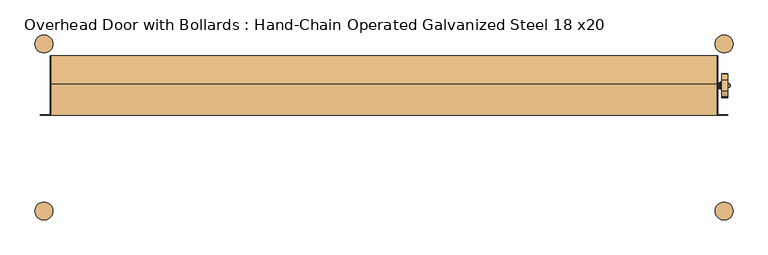
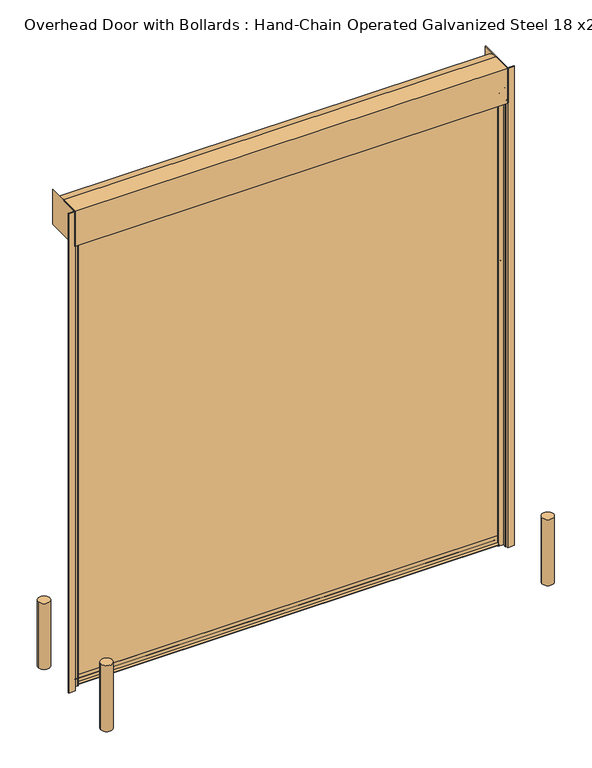
"""IFC4 building model written with IfcOpenShell, lengths in millimetres: door geometry, Overhead Door with Bollards : Hand-Chain Operated Galvanized Steel 18 x20."""

from ifc_helpers import new_model, si_unit, point, frame, frame_2d, origin, origin_with_axes, place, context, project, spatial, polyline, circle_curve, ellipse_curve, trimmed, segment, composite_curve, outline, extrude, source, transform, mapped, element, save
from ifc_brep_helpers import plane_surface, cylinder_surface, revolved_surface, advanced_brep


def overhead_door_with_bollards_hand_chain_operated_galvanized_0a1f1240(model_context):
    return source(origin(), model_context, "Body", "SolidModel", [
        extrude(outline(composite_curve([segment(trimmed(circle_curve(frame_2d((-1981.2, 711.2)), 76.2), [point((-2057.4, 711.2))], [point((-1905.0, 711.2))], False, "CARTESIAN"), True, "CONTINUOUS"), segment(trimmed(circle_curve(frame_2d((-1981.2, 711.2)), 76.2), [point((-1905.0, 711.2))], [point((-2057.4, 711.2))], False, "CARTESIAN"), True, "CONTINUOUS")], self_intersect=False)), origin_with_axes(), (0.0, 0.0, 1.0), 914.4),
        extrude(outline(composite_curve([segment(trimmed(circle_curve(frame_2d((3810.0, 711.2)), 76.2), [point((3733.8, 711.2))], [point((3886.2, 711.2))], False, "CARTESIAN"), True, "CONTINUOUS"), segment(trimmed(circle_curve(frame_2d((3810.0, 711.2)), 76.2), [point((3886.2, 711.2))], [point((3733.8, 711.2))], False, "CARTESIAN"), True, "CONTINUOUS")], self_intersect=False)), origin_with_axes(), (0.0, 0.0, 1.0), 914.4),
        extrude(outline(composite_curve([segment(trimmed(circle_curve(frame_2d((3810.0, -711.2)), 76.2), [point((3886.2, -711.2))], [point((3733.8, -711.2))], False, "CARTESIAN"), True, "CONTINUOUS"), segment(trimmed(circle_curve(frame_2d((3810.0, -711.2)), 76.2), [point((3733.8, -711.2))], [point((3886.2, -711.2))], False, "CARTESIAN"), True, "CONTINUOUS")], self_intersect=False)), origin_with_axes(), (0.0, 0.0, 1.0), 914.4),
        extrude(outline(composite_curve([segment(trimmed(circle_curve(frame_2d((-1981.2, -711.2)), 76.2), [point((-2057.4, -711.2))], [point((-1905.0, -711.2))], False, "CARTESIAN"), True, "CONTINUOUS"), segment(trimmed(circle_curve(frame_2d((-1981.2, -711.2)), 76.2), [point((-1905.0, -711.2))], [point((-2057.4, -711.2))], False, "CARTESIAN"), True, "CONTINUOUS")], self_intersect=False)), origin_with_axes(), (0.0, 0.0, 1.0), 914.4),
        extrude(outline(polyline([(-1928.8252, 609.6), (-1922.4752, 609.6), (-1922.4752, 101.6), (-1928.8252, 101.6), (-1928.8252, 609.6)])), frame((0.0, 0.0, 6172.2), z_axis=(0.0, 0.0, 1.0), x_axis=(1.0, 0.0, 0.0)), (0.0, 0.0, 1.0), 482.6),
        advanced_brep(
        [(3841.8309604, 405.1483399, 6281.6469387), (3841.8309604, 306.0516601, 6281.6469387), (3841.8309604, 259.3951464, 6160.1025652), (3841.8309604, 258.7625, 6156.6891105), (3841.8309604, 258.7625, 6103.6877303), (3841.8309604, 254.6933116, 6093.7069784), (3841.8309604, 256.4003, 6089.65), (3841.8309604, 296.0751, 6089.65), (3841.8309604, 297.7820884, 6093.7069784), (3841.8309604, 293.9479873, 6106.267727), (3841.8309604, 306.4129, 6121.4), (3841.8309604, 315.5647733, 6121.4), (3841.8309604, 395.6352267, 6121.4), (3841.8309604, 404.7871, 6121.4), (3841.8309604, 417.4871, 6108.7), (3841.8309604, 417.4871, 6103.6877303), (3841.8309604, 413.4179116, 6093.7069784), (3841.8309604, 415.1249, 6089.65), (3841.8309604, 454.7997, 6089.65), (3841.8309604, 456.5066884, 6093.7069784), (3841.8309604, 452.4375, 6103.6877303), (3841.8309604, 452.4375, 6158.4544649), (3841.8309604, 339.725, 6200.775), (3841.8309604, 371.475, 6200.775), (3791.0309604, 405.1483399, 6281.6469387), (3791.0309604, 452.4375, 6158.4544649), (3791.0309604, 452.4375, 6103.6877303), (3791.0309604, 456.5066884, 6093.7069784), (3791.0309604, 454.7997, 6089.65), (3791.0309604, 415.1249, 6089.65), (3791.0309604, 413.4179116, 6093.7069784), (3791.0309604, 417.4871, 6103.6877303), (3791.0309604, 417.4871, 6108.7), (3791.0309604, 404.7871, 6121.4), (3791.0309604, 395.6352267, 6121.4), (3791.0309604, 315.5647733, 6121.4), (3791.0309604, 306.4129, 6121.4), (3791.0309604, 293.9479873, 6106.267727), (3791.0309604, 297.7820884, 6093.7069784), (3791.0309604, 296.0751, 6089.65), (3791.0309604, 256.4003, 6089.65), (3791.0309604, 254.6933116, 6093.7069784), (3791.0309604, 258.7625, 6103.6877303), (3791.0309604, 258.7625, 6156.6891105), (3791.0309604, 259.3951464, 6160.1025652), (3791.0309604, 306.0516601, 6281.6469387), (3791.0309604, 355.6, 6220.3965), (3791.0309604, 355.6, 6182.2965), (3856.1184604, 371.475, 6200.775), (3856.1184604, 339.725, 6200.775), (3856.1184604, 355.6, 6191.8215), (3856.1184604, 355.6, 6210.8715), (3862.3875, 355.6, 6194.9965), (3859.2125, 355.6, 6191.8215), (3859.2125, 355.6, 6210.8715), (3862.3875, 355.6, 6207.6965), (3862.3875, 355.6, 6201.3465), (3757.6125, 355.6, 6175.9465), (3757.6125, 355.6, 6201.3465), (3757.6125, 355.6, 6226.7465), (3763.9625, 355.6, 6226.7465), (3763.9625, 355.6, 6175.9465), (3763.9625, 355.6, 6222.7841), (3763.9625, 355.6, 6179.9089), (3774.0971, 355.6, 6222.7841), (3774.0971, 355.6, 6179.9089), (3774.0971, 355.6, 6226.62585), (3774.0971, 355.6, 6176.06715), (3775.6846, 355.6, 6232.97585), (3775.6846, 355.6, 6169.71715), (3778.25, 355.6, 6232.97585), (3778.25, 355.6, 6169.71715), (3779.8375, 355.6, 6226.62585), (3779.8375, 355.6, 6176.06715), (3779.8375, 355.6, 6220.3965), (3779.8375, 355.6, 6182.2965)],
        [
            (0, 1, circle_curve(frame((3841.8309604, 355.6, 6200.775), z_axis=(1.0, 0.0, 0.0), x_axis=(0.0, -1.0, 0.0)), 94.8436)),
            (1, 2),
            (2, 3, circle_curve(frame((3841.8309604, 268.2875, 6156.6891105), z_axis=(1.0, 0.0, 0.0), x_axis=(0.0, -1.0, 0.0)), 9.525)),
            (3, 4),
            (4, 5, circle_curve(frame((3841.8309604, 244.4877, 6103.6877303), z_axis=(-1.0, 0.0, 0.0), x_axis=(0.0, -1.0, 0.0)), 14.2748)),
            (5, 6, circle_curve(frame((3841.8309604, 256.4003, 6092.0376), z_axis=(1.0, 0.0, 0.0), x_axis=(0.0, -1.0, 0.0)), 2.3876)),
            (6, 7),
            (7, 8, circle_curve(frame((3841.8309604, 296.0751, 6092.0376), z_axis=(1.0, 0.0, 0.0), x_axis=(0.0, -1.0, 0.0)), 2.3876)),
            (8, 9, circle_curve(frame((3841.8309604, 307.9877, 6103.6877303), z_axis=(-1.0, 0.0, 0.0), x_axis=(0.0, -1.0, 0.0)), 14.2748)),
            (9, 10, circle_curve(frame((3841.8309604, 306.4129, 6108.7), z_axis=(-1.0, 0.0, 0.0), x_axis=(0.0, -1.0, 0.0)), 12.7)),
            (10, 11),
            (11, 12, circle_curve(frame((3841.8309604, 355.6, 6200.775), z_axis=(1.0, 0.0, 0.0), x_axis=(0.0, -1.0, 0.0)), 88.9)),
            (12, 13),
            (13, 14, circle_curve(frame((3841.8309604, 404.7871, 6108.7), z_axis=(-1.0, 0.0, 0.0), x_axis=(0.0, -1.0, 0.0)), 12.7)),
            (14, 15),
            (15, 16, circle_curve(frame((3841.8309604, 403.2123, 6103.6877303), z_axis=(-1.0, 0.0, 0.0), x_axis=(0.0, -1.0, 0.0)), 14.2748)),
            (16, 17, circle_curve(frame((3841.8309604, 415.1249, 6092.0376), z_axis=(1.0, 0.0, 0.0), x_axis=(0.0, -1.0, 0.0)), 2.3876)),
            (17, 18),
            (18, 19, circle_curve(frame((3841.8309604, 454.7997, 6092.0376), z_axis=(1.0, 0.0, 0.0), x_axis=(0.0, -1.0, 0.0)), 2.3876)),
            (19, 20, circle_curve(frame((3841.8309604, 466.7123, 6103.6877303), z_axis=(-1.0, 0.0, 0.0), x_axis=(0.0, -1.0, 0.0)), 14.2748)),
            (20, 21),
            (21, 0),
            (22, 23, circle_curve(frame((3841.8309604, 355.6, 6200.775), z_axis=(-1.0, 0.0, 0.0), x_axis=(0.0, -1.0, 0.0)), 15.875)),
            (23, 22, circle_curve(frame((3841.8309604, 355.6, 6200.775), z_axis=(-1.0, 0.0, 0.0), x_axis=(0.0, -1.0, 0.0)), 15.875)),
            (24, 25),
            (25, 26),
            (26, 27, circle_curve(frame((3791.0309604, 466.7123, 6103.6877303), z_axis=(1.0, 0.0, 0.0), x_axis=(0.0, -1.0, 0.0)), 14.2748)),
            (27, 28, circle_curve(frame((3791.0309604, 454.7997, 6092.0376), z_axis=(-1.0, 0.0, 0.0), x_axis=(0.0, -1.0, 0.0)), 2.3876)),
            (28, 29),
            (29, 30, circle_curve(frame((3791.0309604, 415.1249, 6092.0376), z_axis=(-1.0, 0.0, 0.0), x_axis=(0.0, -1.0, 0.0)), 2.3876)),
            (30, 31, circle_curve(frame((3791.0309604, 403.2123, 6103.6877303), z_axis=(1.0, 0.0, 0.0), x_axis=(0.0, -1.0, 0.0)), 14.2748)),
            (31, 32),
            (32, 33, circle_curve(frame((3791.0309604, 404.7871, 6108.7), z_axis=(1.0, 0.0, 0.0), x_axis=(0.0, -1.0, 0.0)), 12.7)),
            (33, 34),
            (34, 35, circle_curve(frame((3791.0309604, 355.6, 6200.775), z_axis=(-1.0, 0.0, 0.0), x_axis=(0.0, -1.0, 0.0)), 88.9)),
            (35, 36),
            (36, 37, circle_curve(frame((3791.0309604, 306.4129, 6108.7), z_axis=(1.0, 0.0, 0.0), x_axis=(0.0, -1.0, 0.0)), 12.7)),
            (37, 38, circle_curve(frame((3791.0309604, 307.9877, 6103.6877303), z_axis=(1.0, 0.0, 0.0), x_axis=(0.0, -1.0, 0.0)), 14.2748)),
            (38, 39, circle_curve(frame((3791.0309604, 296.0751, 6092.0376), z_axis=(-1.0, 0.0, 0.0), x_axis=(0.0, -1.0, 0.0)), 2.3876)),
            (39, 40),
            (40, 41, circle_curve(frame((3791.0309604, 256.4003, 6092.0376), z_axis=(-1.0, 0.0, 0.0), x_axis=(0.0, -1.0, 0.0)), 2.3876)),
            (41, 42, circle_curve(frame((3791.0309604, 244.4877, 6103.6877303), z_axis=(1.0, 0.0, 0.0), x_axis=(0.0, -1.0, 0.0)), 14.2748)),
            (42, 43),
            (43, 44, circle_curve(frame((3791.0309604, 268.2875, 6156.6891105), z_axis=(-1.0, 0.0, 0.0), x_axis=(0.0, -1.0, 0.0)), 9.525)),
            (44, 45),
            (45, 24, circle_curve(frame((3791.0309604, 355.6, 6200.775), z_axis=(-1.0, 0.0, 0.0), x_axis=(0.0, -1.0, 0.0)), 94.8436)),
            (46, 47, circle_curve(frame((3791.0309604, 355.6, 6201.3465), z_axis=(1.0, 0.0, 0.0), x_axis=(0.0, 0.0, 1.0)), 19.05)),
            (47, 46, circle_curve(frame((3791.0309604, 355.6, 6201.3465), z_axis=(1.0, 0.0, 0.0), x_axis=(0.0, 0.0, 1.0)), 19.05)),
            (21, 25),
            (24, 0),
            (20, 26),
            (19, 27),
            (18, 28),
            (17, 29),
            (16, 30),
            (15, 31),
            (14, 32),
            (13, 33),
            (12, 34),
            (11, 35),
            (10, 36),
            (9, 37),
            (8, 38),
            (7, 39),
            (6, 40),
            (5, 41),
            (4, 42),
            (3, 43),
            (2, 44),
            (1, 45),
            (48, 49, circle_curve(frame((3856.1184604, 355.6, 6200.775), z_axis=(1.0, 0.0, 0.0), x_axis=(0.0, -1.0, 0.0)), 15.875)),
            (49, 48, circle_curve(frame((3856.1184604, 355.6, 6200.775), z_axis=(1.0, 0.0, 0.0), x_axis=(0.0, -1.0, 0.0)), 15.875)),
            (50, 51, circle_curve(frame((3856.1184604, 355.6, 6201.3465), z_axis=(-1.0, 0.0, 0.0), x_axis=(0.0, 0.0, 1.0)), 9.525)),
            (51, 50, circle_curve(frame((3856.1184604, 355.6, 6201.3465), z_axis=(-1.0, 0.0, 0.0), x_axis=(0.0, 0.0, 1.0)), 9.525)),
            (49, 22),
            (23, 48),
            (52, 53),
            (53, 54, circle_curve(frame((3859.2125, 355.6, 6201.3465), z_axis=(1.0, 0.0, 0.0), x_axis=(0.0, 0.0, 1.0)), 9.525)),
            (54, 55),
            (55, 52, circle_curve(frame((3862.3875, 355.6, 6201.3465), z_axis=(-1.0, 0.0, 0.0), x_axis=(0.0, 0.0, 1.0)), 6.35)),
            (54, 53, circle_curve(frame((3859.2125, 355.6, 6201.3465), z_axis=(1.0, 0.0, 0.0), x_axis=(0.0, 0.0, 1.0)), 9.525)),
            (52, 55, circle_curve(frame((3862.3875, 355.6, 6201.3465), z_axis=(-1.0, 0.0, 0.0), x_axis=(0.0, 0.0, 1.0)), 6.35)),
            (55, 56),
            (56, 52),
            (53, 50),
            (51, 54),
            (57, 58),
            (58, 59),
            (59, 57, circle_curve(frame((3757.6125, 355.6, 6201.3465), z_axis=(-1.0, 0.0, 0.0), x_axis=(0.0, 0.0, 1.0)), 25.4)),
            (57, 59, circle_curve(frame((3757.6125, 355.6, 6201.3465), z_axis=(-1.0, 0.0, 0.0), x_axis=(0.0, 0.0, 1.0)), 25.4)),
            (59, 60),
            (60, 61, circle_curve(frame((3763.9625, 355.6, 6201.3465), z_axis=(-1.0, 0.0, 0.0), x_axis=(0.0, 0.0, 1.0)), 25.4)),
            (61, 57),
            (61, 60, circle_curve(frame((3763.9625, 355.6, 6201.3465), z_axis=(-1.0, 0.0, 0.0), x_axis=(0.0, 0.0, 1.0)), 25.4)),
            (60, 62),
            (62, 63, circle_curve(frame((3763.9625, 355.6, 6201.3465), z_axis=(-1.0, 0.0, 0.0), x_axis=(0.0, 0.0, 1.0)), 21.4376)),
            (63, 61),
            (63, 62, circle_curve(frame((3763.9625, 355.6, 6201.3465), z_axis=(-1.0, 0.0, 0.0), x_axis=(0.0, 0.0, 1.0)), 21.4376)),
            (62, 64),
            (64, 65, circle_curve(frame((3774.0971, 355.6, 6201.3465), z_axis=(-1.0, 0.0, 0.0), x_axis=(0.0, 0.0, 1.0)), 21.4376)),
            (65, 63),
            (65, 64, circle_curve(frame((3774.0971, 355.6, 6201.3465), z_axis=(-1.0, 0.0, 0.0), x_axis=(0.0, 0.0, 1.0)), 21.4376)),
            (64, 66),
            (66, 67, circle_curve(frame((3774.0971, 355.6, 6201.3465), z_axis=(-1.0, 0.0, 0.0), x_axis=(0.0, 0.0, 1.0)), 25.27935)),
            (67, 65),
            (67, 66, circle_curve(frame((3774.0971, 355.6, 6201.3465), z_axis=(-1.0, 0.0, 0.0), x_axis=(0.0, 0.0, 1.0)), 25.27935)),
            (66, 68),
            (68, 69, circle_curve(frame((3775.6846, 355.6, 6201.3465), z_axis=(-1.0, 0.0, 0.0), x_axis=(0.0, 0.0, 1.0)), 31.62935)),
            (69, 67),
            (69, 68, circle_curve(frame((3775.6846, 355.6, 6201.3465), z_axis=(-1.0, 0.0, 0.0), x_axis=(0.0, 0.0, 1.0)), 31.62935)),
            (68, 70),
            (70, 71, circle_curve(frame((3778.25, 355.6, 6201.3465), z_axis=(-1.0, 0.0, 0.0), x_axis=(0.0, 0.0, 1.0)), 31.62935)),
            (71, 69),
            (71, 70, circle_curve(frame((3778.25, 355.6, 6201.3465), z_axis=(-1.0, 0.0, 0.0), x_axis=(0.0, 0.0, 1.0)), 31.62935)),
            (70, 72),
            (72, 73, circle_curve(frame((3779.8375, 355.6, 6201.3465), z_axis=(-1.0, 0.0, 0.0), x_axis=(0.0, 0.0, 1.0)), 25.27935)),
            (73, 71),
            (73, 72, circle_curve(frame((3779.8375, 355.6, 6201.3465), z_axis=(-1.0, 0.0, 0.0), x_axis=(0.0, 0.0, 1.0)), 25.27935)),
            (72, 74),
            (74, 75, circle_curve(frame((3779.8375, 355.6, 6201.3465), z_axis=(-1.0, 0.0, 0.0), x_axis=(0.0, 0.0, 1.0)), 19.05)),
            (75, 73),
            (75, 74, circle_curve(frame((3779.8375, 355.6, 6201.3465), z_axis=(-1.0, 0.0, 0.0), x_axis=(0.0, 0.0, 1.0)), 19.05)),
            (74, 46),
            (47, 75),
        ],
        [
            plane_surface(frame((3841.8309604, 405.3174554, 6281.2063779), z_axis=(1.0, 0.0, 0.0), x_axis=(0.0, 0.3583679495453003, -0.9335804264972017))),
            plane_surface(frame((3791.0309604, 405.3174554, 6281.2063779), z_axis=(-1.0, 0.0, 0.0), x_axis=(0.0, -0.3583679495453003, 0.9335804264972017))),
            plane_surface(frame((3841.8309604, 405.1483399, 6281.6469387), z_axis=(0.0, 0.9335804264972017, 0.3583679495453003), x_axis=(-1.0, 0.0, 0.0))),
            plane_surface(frame((3841.8309604, 452.4375, 6158.4544649), z_axis=(0.0, 1.0, 0.0), x_axis=(-1.0, 0.0, 0.0))),
            revolved_surface(polyline([(3791.0309604, 452.4375, 6103.6877303), (3841.8309604, 452.4375, 6103.6877303)]), (3791.0309604, 466.7123, 6103.6877303), (-1.0, 0.0, 0.0)),
            cylinder_surface(frame((3791.0309604, 454.7997, 6092.0376), z_axis=(1.0, 0.0, 0.0), x_axis=(0.0, -1.0, 0.0)), 2.3876),
            plane_surface(frame((3841.8309604, 454.7997, 6089.65), z_axis=(0.0, 0.0, -1.0), x_axis=(-1.0, 0.0, 0.0))),
            cylinder_surface(frame((3791.0309604, 415.1249, 6092.0376), z_axis=(1.0, 0.0, 0.0), x_axis=(0.0, -1.0, 0.0)), 2.3876),
            revolved_surface(polyline([(3791.0309604, 388.9375, 6103.6877303), (3841.8309604, 388.9375, 6103.6877303)]), (3791.0309604, 403.2123, 6103.6877303), (-1.0, 0.0, 0.0)),
            plane_surface(frame((3841.8309604, 417.4871, 6103.6877303), z_axis=(0.0, -1.0, 0.0), x_axis=(-1.0, 0.0, 0.0))),
            revolved_surface(polyline([(3791.0309604, 392.0871, 6108.7), (3841.8309604, 392.0871, 6108.7)]), (3791.0309604, 404.7871, 6108.7), (-1.0, 0.0, 0.0)),
            plane_surface(frame((3841.8309604, 404.7871, 6121.4), z_axis=(0.0, 0.0, -1.0), x_axis=(-1.0, 0.0, 0.0))),
            cylinder_surface(frame((3791.0309604, 355.6, 6200.775), z_axis=(1.0, 0.0, 0.0), x_axis=(0.0, -1.0, 0.0)), 88.9),
            plane_surface(frame((3841.8309604, 315.5647733, 6121.4), z_axis=(0.0, 0.0, -1.0), x_axis=(-1.0, 0.0, 0.0))),
            revolved_surface(polyline([(3791.0309604, 293.7129, 6108.7), (3841.8309604, 293.7129, 6108.7)]), (3791.0309604, 306.4129, 6108.7), (-1.0, 0.0, 0.0)),
            revolved_surface(polyline([(3791.0309604, 293.7129, 6103.6877303), (3841.8309604, 293.7129, 6103.6877303)]), (3791.0309604, 307.9877, 6103.6877303), (-1.0, 0.0, 0.0)),
            cylinder_surface(frame((3791.0309604, 296.0751, 6092.0376), z_axis=(1.0, 0.0, 0.0), x_axis=(0.0, -1.0, 0.0)), 2.3876),
            plane_surface(frame((3841.8309604, 296.0751, 6089.65), z_axis=(0.0, 0.0, -1.0), x_axis=(-1.0, 0.0, 0.0))),
            cylinder_surface(frame((3791.0309604, 256.4003, 6092.0376), z_axis=(1.0, 0.0, 0.0), x_axis=(0.0, -1.0, 0.0)), 2.3876),
            revolved_surface(polyline([(3791.0309604, 230.2129, 6103.6877303), (3841.8309604, 230.2129, 6103.6877303)]), (3791.0309604, 244.4877, 6103.6877303), (-1.0, 0.0, 0.0)),
            plane_surface(frame((3841.8309604, 258.7625, 6103.6877303), z_axis=(0.0, -1.0, 0.0), x_axis=(-1.0, 0.0, 0.0))),
            cylinder_surface(frame((3791.0309604, 268.2875, 6156.6891105), z_axis=(1.0, 0.0, 0.0), x_axis=(0.0, -1.0, 0.0)), 9.525),
            plane_surface(frame((3841.8309604, 259.3951464, 6160.1025652), z_axis=(0.0, -0.9335804264972019, 0.35836794954530005), x_axis=(-1.0, 0.0, 0.0))),
            cylinder_surface(frame((3791.0309604, 355.6, 6200.775), z_axis=(1.0, 0.0, 0.0), x_axis=(0.0, -1.0, 0.0)), 94.8436),
            plane_surface(frame((3856.1184604, 339.725, 6200.775), z_axis=(1.0, 0.0, 0.0), x_axis=(0.0, 0.0, 1.0))),
            cylinder_surface(frame((3825.9305604, 355.6, 6200.775), z_axis=(1.0, 0.0, 0.0), x_axis=(0.0, -1.0, 0.0)), 15.875),
            revolved_surface(polyline([(3859.2125, 355.6, 6210.8715), (3862.3875, 355.6, 6207.6965)]), (3791.0309604, 355.6, 6201.3465), (1.0, 0.0, 0.0)),
            plane_surface(frame((3862.3875, 355.6, 6201.3465), z_axis=(1.0, 0.0, 0.0), x_axis=(0.0, 0.0, 1.0))),
            cylinder_surface(frame((3791.0309604, 355.6, 6201.3465), z_axis=(1.0, 0.0, 0.0), x_axis=(0.0, 0.0, 1.0)), 9.525),
            plane_surface(frame((3757.6125, 355.6, 6201.3465), z_axis=(-1.0, 0.0, 0.0), x_axis=(0.0, 0.0, 1.0))),
            cylinder_surface(frame((3791.0309604, 355.6, 6201.3465), z_axis=(1.0, 0.0, 0.0), x_axis=(0.0, 0.0, 1.0)), 25.4),
            plane_surface(frame((3763.9625, 355.6, 6201.3465), z_axis=(1.0, 0.0, 0.0), x_axis=(0.0, 0.0, 1.0))),
            cylinder_surface(frame((3791.0309604, 355.6, 6201.3465), z_axis=(1.0, 0.0, 0.0), x_axis=(0.0, 0.0, 1.0)), 21.4376),
            plane_surface(frame((3774.0971, 355.6, 6201.3465), z_axis=(-1.0, 0.0, 0.0), x_axis=(0.0, 0.0, 1.0))),
            revolved_surface(polyline([(3774.0971, 355.6, 6226.62585), (3775.6846, 355.6, 6232.97585)]), (3791.0309604, 355.6, 6201.3465), (1.0, 0.0, 0.0)),
            cylinder_surface(frame((3791.0309604, 355.6, 6201.3465), z_axis=(1.0, 0.0, 0.0), x_axis=(0.0, 0.0, 1.0)), 31.62935),
            revolved_surface(polyline([(3778.25, 355.6, 6232.97585), (3779.8375, 355.6, 6226.62585)]), (3791.0309604, 355.6, 6201.3465), (1.0, 0.0, 0.0)),
            plane_surface(frame((3779.8375, 355.6, 6201.3465), z_axis=(1.0, 0.0, 0.0), x_axis=(0.0, 0.0, 1.0))),
            cylinder_surface(frame((3791.0309604, 355.6, 6201.3465), z_axis=(1.0, 0.0, 0.0), x_axis=(0.0, 0.0, 1.0)), 19.05),
        ],
        [
            (0, [[1, 2, 3, 4, 5, 6, 7, 8, 9, 10, 11, 12, 13, 14, 15, 16, 17, 18, 19, 20, 21, 22], [23, 24]]),
            (1, [[25, 26, 27, 28, 29, 30, 31, 32, 33, 34, 35, 36, 37, 38, 39, 40, 41, 42, 43, 44, 45, 46], [47, 48]]),
            (2, [[49, -25, 50, -22]]),
            (3, [[51, -26, -49, -21]]),
            (4, [[52, -27, -51, -20]]),
            (5, [[53, -28, -52, -19]]),
            (6, [[54, -29, -53, -18]]),
            (7, [[55, -30, -54, -17]]),
            (8, [[56, -31, -55, -16]]),
            (9, [[57, -32, -56, -15]]),
            (10, [[58, -33, -57, -14]]),
            (11, [[59, -34, -58, -13]]),
            (12, [[60, -35, -59, -12]]),
            (13, [[61, -36, -60, -11]]),
            (14, [[62, -37, -61, -10]]),
            (15, [[63, -38, -62, -9]]),
            (16, [[64, -39, -63, -8]]),
            (17, [[65, -40, -64, -7]]),
            (18, [[66, -41, -65, -6]]),
            (19, [[67, -42, -66, -5]]),
            (20, [[68, -43, -67, -4]]),
            (21, [[69, -44, -68, -3]]),
            (22, [[70, -45, -69, -2]]),
            (23, [[-50, -46, -70, -1]]),
            (24, [[71, 72], [73, 74]]),
            (25, [[75, -24, 76, -72]]),
            (25, [[-76, -23, -75, -71]]),
            (26, [[77, 78, 79, 80]]),
            (26, [[81, -77, 82, -79]]),
            (27, [[83, 84, -80]]),
            (27, [[-84, -83, -82]]),
            (28, [[85, -74, 86, -78]]),
            (28, [[-86, -73, -85, -81]]),
            (29, [[87, 88, 89]]),
            (29, [[-87, 90, -88]]),
            (30, [[91, 92, 93, -89]]),
            (30, [[-93, 94, -91, -90]]),
            (31, [[95, 96, 97, -92]]),
            (31, [[-97, 98, -95, -94]]),
            (32, [[99, 100, 101, -96]]),
            (32, [[-101, 102, -99, -98]]),
            (33, [[103, 104, 105, -100]]),
            (33, [[-105, 106, -103, -102]]),
            (34, [[107, 108, 109, -104]]),
            (34, [[-109, 110, -107, -106]]),
            (35, [[111, 112, 113, -108]]),
            (35, [[-113, 114, -111, -110]]),
            (36, [[115, 116, 117, -112]]),
            (36, [[-117, 118, -115, -114]]),
            (37, [[119, 120, 121, -116]]),
            (37, [[-121, 122, -119, -118]]),
            (38, [[123, -48, 124, -120]]),
            (38, [[-124, -47, -123, -122]]),
        ],
    ),
        advanced_brep(
        [(3820.1659087, 277.8125, 6172.2), (3812.5340913, 277.8125, 6172.2), (3812.5340913, 277.8125, 3873.5), (3820.1659087, 277.8125, 3873.5), (3812.5340913, 436.5625, 3873.5), (3820.1659087, 436.5625, 3873.5), (3820.1659087, 436.5625, 6172.2), (3812.5340913, 436.5625, 6172.2)],
        [
            (0, 1, circle_curve(frame((3816.35, 277.8125, 6172.2), z_axis=(0.0, 0.0, 1.0), x_axis=(-1.0, 0.0, 0.0)), 3.8159087)),
            (1, 0, circle_curve(frame((3816.35, 277.8125, 6172.2), z_axis=(0.0, 0.0, 1.0), x_axis=(-1.0, 0.0, 0.0)), 3.8159087)),
            (1, 2),
            (2, 3, circle_curve(frame((3816.35, 277.8125, 3873.5), z_axis=(0.0, 0.0, 1.0), x_axis=(-1.0, 0.0, 0.0)), 3.8159087)),
            (3, 0),
            (3, 2, circle_curve(frame((3816.35, 277.8125, 3873.5), z_axis=(0.0, 0.0, 1.0), x_axis=(-1.0, 0.0, 0.0)), 3.8159087)),
            (4, 5, circle_curve(frame((3816.35, 436.5625, 3873.5), z_axis=(0.0, 0.0, -1.0), x_axis=(-1.0, 0.0, 0.0)), 3.8159087)),
            (5, 3, circle_curve(frame((3820.1659087, 357.1875, 3873.5), z_axis=(-1.0, 0.0, 0.0), x_axis=(0.0, -1.0, 0.0)), 79.375)),
            (2, 4, circle_curve(frame((3812.5340913, 357.1875, 3873.5), z_axis=(1.0, 0.0, 0.0), x_axis=(0.0, -1.0, 0.0)), 79.375)),
            (5, 4, circle_curve(frame((3816.35, 436.5625, 3873.5), z_axis=(0.0, 0.0, -1.0), x_axis=(-1.0, 0.0, 0.0)), 3.8159087)),
            (6, 7, circle_curve(frame((3816.35, 436.5625, 6172.2), z_axis=(0.0, 0.0, 1.0), x_axis=(-1.0, 0.0, 0.0)), 3.8159087)),
            (7, 6, circle_curve(frame((3816.35, 436.5625, 6172.2), z_axis=(0.0, 0.0, 1.0), x_axis=(-1.0, 0.0, 0.0)), 3.8159087)),
            (4, 7),
            (6, 5),
        ],
        [
            plane_surface(frame((3816.35, 277.8125, 6172.2), z_axis=(0.0, 0.0, 1.0), x_axis=(-1.0, 0.0, 0.0))),
            cylinder_surface(frame((3816.35, 277.8125, 6172.2), z_axis=(0.0, 0.0, 1.0), x_axis=(-1.0, 0.0, 0.0)), 3.8159087),
            revolved_surface(trimmed(ellipse_curve(frame((3816.35, 277.8125, 3873.5), z_axis=(0.0, 0.0, -1.0), x_axis=(-1.0, 0.0, 0.0)), 3.8159087, 3.8159087), [point((3820.1659087, 277.8125, 3873.5))], [point((3812.5340913, 277.8125, 3873.5))], True, "CARTESIAN"), (3816.35, 357.1875, 3873.5), (-1.0, 0.0, 0.0)),
            revolved_surface(trimmed(ellipse_curve(frame((3816.35, 277.8125, 3873.5), z_axis=(0.0, 0.0, -1.0), x_axis=(-1.0, 0.0, 0.0)), 3.8159087, 3.8159087), [point((3812.5340913, 277.8125, 3873.5))], [point((3820.1659087, 277.8125, 3873.5))], True, "CARTESIAN"), (3816.35, 357.1875, 3873.5), (-1.0, 0.0, 0.0)),
            plane_surface(frame((3816.35, 436.5625, 6172.2), z_axis=(0.0, 0.0, 1.0), x_axis=(-1.0, 0.0, 0.0))),
            cylinder_surface(frame((3816.35, 436.5625, 3873.5), z_axis=(0.0, 0.0, -1.0), x_axis=(-1.0, 0.0, 0.0)), 3.8159087),
        ],
        [
            (0, [[1, 2]]),
            (1, [[3, 4, 5, -2]]),
            (1, [[-5, 6, -3, -1]]),
            (2, [[7, 8, -4, 9]]),
            (3, [[10, -9, -6, -8]]),
            (4, [[11, 12]]),
            (5, [[13, -11, 14, -7]]),
            (5, [[-14, -12, -13, -10]]),
        ],
    ),
        extrude(outline(polyline([(3757.6125, 101.6), (3751.2625, 101.6), (3751.2625, 609.6), (3757.6125, 609.6), (3757.6125, 101.6)])), frame((0.0, 0.0, 6172.2), z_axis=(0.0, 0.0, 1.0), x_axis=(1.0, 0.0, 0.0)), (0.0, 0.0, 1.0), 482.6),
        advanced_brep(
        [(3757.6252, 187.325, 6172.2), (3754.4502, 190.5, 6172.2), (3751.2752, 190.5, 6172.2), (3751.2752, 101.6, 6172.2), (3757.6252, 101.6, 6172.2), (3757.6252, 111.125, 6172.2), (3751.2752, 101.6, 0.0), (3751.2752, 190.5, 0.0), (3754.4502, 190.5, 0.0), (3757.6252, 187.325, 0.0), (3757.6252, 111.125, 0.0), (3760.8002, 107.95, 0.0), (3837.0002, 107.95, 0.0), (3840.1752, 104.775, 0.0), (3840.1752, 101.6, 0.0), (3840.1752, 101.6, 6654.8), (3757.6252, 101.6, 6654.8), (3760.8002, 107.95, 6654.8), (3757.6252, 111.125, 6654.8), (3840.1752, 104.775, 6654.8), (3837.0002, 107.95, 6654.8)],
        [
            (0, 1, circle_curve(frame((3754.4502, 187.325, 6172.2), z_axis=(0.0, 0.0, 1.0), x_axis=(-1.0, 0.0, 0.0)), 3.175)),
            (1, 2),
            (2, 3),
            (3, 4),
            (4, 5),
            (5, 0),
            (6, 7),
            (7, 8),
            (8, 9, circle_curve(frame((3754.4502, 187.325, 0.0), z_axis=(0.0, 0.0, -1.0), x_axis=(-1.0, 0.0, 0.0)), 3.175)),
            (9, 10),
            (10, 11, circle_curve(frame((3760.8002, 111.125, 0.0), z_axis=(0.0, 0.0, 1.0), x_axis=(-1.0, 0.0, 0.0)), 3.175)),
            (11, 12),
            (12, 13, circle_curve(frame((3837.0002, 104.775, 0.0), z_axis=(0.0, 0.0, -1.0), x_axis=(-1.0, 0.0, 0.0)), 3.175)),
            (13, 14),
            (14, 6),
            (9, 0),
            (5, 10),
            (8, 1),
            (7, 2),
            (6, 3),
            (14, 15),
            (15, 16),
            (16, 4),
            (17, 18, circle_curve(frame((3760.8002, 111.125, 6654.8), z_axis=(0.0, 0.0, -1.0), x_axis=(-1.0, 0.0, 0.0)), 3.175)),
            (18, 16),
            (15, 19),
            (19, 20, circle_curve(frame((3837.0002, 104.775, 6654.8), z_axis=(0.0, 0.0, 1.0), x_axis=(-1.0, 0.0, 0.0)), 3.175)),
            (20, 17),
            (17, 11),
            (5, 18),
            (13, 19),
            (12, 20),
        ],
        [
            plane_surface(frame((3751.2752, 187.325, 6172.2), z_axis=(0.0, 0.0, 1.0), x_axis=(0.0, -1.0, 0.0))),
            plane_surface(frame((3751.2752, 187.325, 0.0), z_axis=(0.0, 0.0, -1.0), x_axis=(0.0, 1.0, 0.0))),
            plane_surface(frame((3757.6252, 101.6, 6172.2), z_axis=(1.0, 0.0, 0.0), x_axis=(0.0, 0.0, -1.0))),
            cylinder_surface(frame((3754.4502, 187.325, 0.0), z_axis=(0.0, 0.0, 1.0), x_axis=(-1.0, 0.0, 0.0)), 3.175),
            plane_surface(frame((3754.4502, 190.5, 6172.2), z_axis=(0.0, 1.0, 0.0), x_axis=(0.0, 0.0, -1.0))),
            plane_surface(frame((3751.2752, 190.5, 6172.2), z_axis=(-1.0, 0.0, 0.0), x_axis=(0.0, 0.0, -1.0))),
            plane_surface(frame((3751.2752, 101.6, 6172.2), z_axis=(0.0, -1.0, 0.0), x_axis=(0.0, 0.0, -1.0))),
            plane_surface(frame((3757.6252, 111.125, 6654.8), z_axis=(0.0, 0.0, 1.0), x_axis=(0.0, 1.0, 0.0))),
            revolved_surface(polyline([(3757.6252, 111.125, 0.0), (3757.6252, 111.125, 6654.8)]), (3760.8002, 111.125, 0.0), (0.0, 0.0, -1.0)),
            plane_surface(frame((3757.6252, 111.125, 6654.8), z_axis=(-1.0, 0.0, 0.0), x_axis=(0.0, 0.0, -1.0))),
            plane_surface(frame((3840.1752, 101.6, 6654.8), z_axis=(1.0, 0.0, 0.0), x_axis=(0.0, 0.0, -1.0))),
            cylinder_surface(frame((3837.0002, 104.775, 0.0), z_axis=(0.0, 0.0, 1.0), x_axis=(-1.0, 0.0, 0.0)), 3.175),
            plane_surface(frame((3837.0002, 107.95, 6654.8), z_axis=(0.0, 1.0, 0.0), x_axis=(0.0, 0.0, -1.0))),
        ],
        [
            (0, [[1, 2, 3, 4, 5, 6]]),
            (1, [[7, 8, 9, 10, 11, 12, 13, 14, 15]]),
            (2, [[16, -6, 17, -10]]),
            (3, [[-1, -16, -9, 18]]),
            (4, [[-2, -18, -8, 19]]),
            (5, [[-3, -19, -7, 20]]),
            (6, [[-4, -20, -15, 21, 22, 23]]),
            (7, [[24, 25, -22, 26, 27, 28]]),
            (8, [[-24, 29, -11, -17, 30]]),
            (9, [[-25, -30, -5, -23]]),
            (10, [[-26, -21, -14, 31]]),
            (11, [[-27, -31, -13, 32]]),
            (12, [[-28, -32, -12, -29]]),
        ],
    ),
        extrude(outline(composite_curve([segment(polyline([(3744.1314515, 217.4874998), (3677.4564515, 217.4874998)]), True, "CONTINUOUS"), segment(trimmed(circle_curve(frame_2d((3677.4564515, 219.8687498)), 2.38125), [point((3677.4564515, 217.4874998))], [point((3675.0752015, 219.8687498))], False, "CARTESIAN"), True, "CONTINUOUS"), segment(polyline([(3675.0752015, 219.8687498), (3675.0752015, 222.2499998), (3751.2752015, 222.2499998), (3751.2752015, 146.0499998), (3748.8939515, 146.0499998)]), True, "CONTINUOUS"), segment(trimmed(circle_curve(frame_2d((3748.8939515, 148.4312498)), 2.38125), [point((3748.8939515, 146.0499998))], [point((3746.5127015, 148.4312498))], False, "CARTESIAN"), True, "CONTINUOUS"), segment(polyline([(3746.5127015, 148.4312498), (3746.5127015, 215.1062498)]), True, "CONTINUOUS"), segment(trimmed(circle_curve(frame_2d((3744.1314515, 215.1062498)), 2.38125), [point((3746.5127015, 215.1062498))], [point((3744.1314515, 217.4874998))], True, "CARTESIAN"), True, "CONTINUOUS")], self_intersect=False)), origin_with_axes(), (0.0, 0.0, 1.0), 6172.2),
        extrude(outline(composite_curve([segment(polyline([(3670.3127015, 182.5624998), (3746.5127015, 182.5624998), (3746.5127015, 131.7624998), (3744.1314515, 131.7624998)]), True, "CONTINUOUS"), segment(trimmed(circle_curve(frame_2d((3744.1314515, 134.1437498)), 2.38125), [point((3744.1314515, 131.7624998))], [point((3741.7502015, 134.1437498))], False, "CARTESIAN"), True, "CONTINUOUS"), segment(polyline([(3741.7502015, 134.1437498), (3741.7502015, 175.4187498)]), True, "CONTINUOUS"), segment(trimmed(circle_curve(frame_2d((3739.3689515, 175.4187498)), 2.38125), [point((3741.7502015, 175.4187498))], [point((3739.3689515, 177.7999998))], True, "CARTESIAN"), True, "CONTINUOUS"), segment(polyline([(3739.3689515, 177.7999998), (3672.6939515, 177.7999998)]), True, "CONTINUOUS"), segment(trimmed(circle_curve(frame_2d((3672.6939515, 180.1812498)), 2.38125), [point((3672.6939515, 177.7999998))], [point((3670.3127015, 180.1812498))], False, "CARTESIAN"), True, "CONTINUOUS"), segment(polyline([(3670.3127015, 180.1812498), (3670.3127015, 182.5624998)]), True, "CONTINUOUS")], self_intersect=False)), origin_with_axes(), (0.0, 0.0, 1.0), 6172.2),
        advanced_brep(
        [(-1928.8252, 187.325, 6172.2), (-1928.8252, 111.125, 6172.2), (-1928.8252, 101.6, 6172.2), (-1922.4752, 101.6, 6172.2), (-1922.4752, 190.5, 6172.2), (-1925.6502, 190.5, 6172.2), (-1922.4752, 101.6, 0.0), (-2011.3752, 101.6, 0.0), (-2011.3752, 104.775, 0.0), (-2008.2002, 107.95, 0.0), (-1932.0002, 107.95, 0.0), (-1928.8252, 111.125, 0.0), (-1928.8252, 187.325, 0.0), (-1925.6502, 190.5, 0.0), (-1922.4752, 190.5, 0.0), (-1928.8252, 101.6, 6654.8), (-2011.3752, 101.6, 6654.8), (-1932.0002, 107.95, 6654.8), (-2008.2002, 107.95, 6654.8), (-2011.3752, 104.775, 6654.8), (-1928.8252, 111.125, 6654.8)],
        [
            (0, 1),
            (1, 2),
            (2, 3),
            (3, 4),
            (4, 5),
            (5, 0, circle_curve(frame((-1925.6502, 187.325, 6172.2), z_axis=(0.0, 0.0, 1.0), x_axis=(1.0, 0.0, 0.0)), 3.175)),
            (6, 7),
            (7, 8),
            (8, 9, circle_curve(frame((-2008.2002, 104.775, 0.0), z_axis=(0.0, 0.0, -1.0), x_axis=(1.0, 0.0, 0.0)), 3.175)),
            (9, 10),
            (10, 11, circle_curve(frame((-1932.0002, 111.125, 0.0), z_axis=(0.0, 0.0, 1.0), x_axis=(1.0, 0.0, 0.0)), 3.175)),
            (11, 12),
            (12, 13, circle_curve(frame((-1925.6502, 187.325, 0.0), z_axis=(0.0, 0.0, -1.0), x_axis=(1.0, 0.0, 0.0)), 3.175)),
            (13, 14),
            (14, 6),
            (5, 13),
            (12, 0),
            (4, 14),
            (3, 6),
            (2, 15),
            (15, 16),
            (16, 7),
            (11, 1),
            (17, 18),
            (18, 19, circle_curve(frame((-2008.2002, 104.775, 6654.8), z_axis=(0.0, 0.0, 1.0), x_axis=(1.0, 0.0, 0.0)), 3.175)),
            (19, 16),
            (15, 20),
            (20, 17, circle_curve(frame((-1932.0002, 111.125, 6654.8), z_axis=(0.0, 0.0, -1.0), x_axis=(1.0, 0.0, 0.0)), 3.175)),
            (20, 1),
            (10, 17),
            (19, 8),
            (18, 9),
        ],
        [
            plane_surface(frame((-1922.4752, 187.325, 6172.2), z_axis=(0.0, 0.0, 1.0), x_axis=(0.0, -1.0, 0.0))),
            plane_surface(frame((-1922.4752, 187.325, 0.0), z_axis=(0.0, 0.0, -1.0), x_axis=(0.0, 1.0, 0.0))),
            cylinder_surface(frame((-1925.6502, 187.325, 0.0), z_axis=(0.0, 0.0, 1.0), x_axis=(1.0, 0.0, 0.0)), 3.175),
            plane_surface(frame((-1925.6502, 190.5, 6172.2), z_axis=(0.0, 1.0, 0.0), x_axis=(0.0, 0.0, -1.0))),
            plane_surface(frame((-1922.4752, 190.5, 6172.2), z_axis=(1.0, 0.0, 0.0), x_axis=(0.0, 0.0, -1.0))),
            plane_surface(frame((-1922.4752, 101.6, 6172.2), z_axis=(0.0, -1.0, 0.0), x_axis=(0.0, 0.0, -1.0))),
            plane_surface(frame((-1928.8252, 101.6, 6172.2), z_axis=(-1.0, 0.0, 0.0), x_axis=(0.0, 0.0, -1.0))),
            plane_surface(frame((-1928.8252, 111.125, 6654.8), z_axis=(0.0, 0.0, 1.0), x_axis=(0.0, 1.0, 0.0))),
            revolved_surface(polyline([(-1928.8252, 111.125, 0.0), (-1928.8252, 111.125, 6654.8)]), (-1932.0002, 111.125, 0.0), (0.0, 0.0, -1.0)),
            plane_surface(frame((-1928.8252, 111.125, 6654.8), z_axis=(1.0, 0.0, 0.0), x_axis=(0.0, 0.0, -1.0))),
            plane_surface(frame((-2011.3752, 101.6, 6654.8), z_axis=(-1.0, 0.0, 0.0), x_axis=(0.0, 0.0, -1.0))),
            cylinder_surface(frame((-2008.2002, 104.775, 0.0), z_axis=(0.0, 0.0, 1.0), x_axis=(1.0, 0.0, 0.0)), 3.175),
            plane_surface(frame((-2008.2002, 107.95, 6654.8), z_axis=(0.0, 1.0, 0.0), x_axis=(0.0, 0.0, -1.0))),
        ],
        [
            (0, [[1, 2, 3, 4, 5, 6]]),
            (1, [[7, 8, 9, 10, 11, 12, 13, 14, 15]]),
            (2, [[16, -13, 17, -6]]),
            (3, [[18, -14, -16, -5]]),
            (4, [[19, -15, -18, -4]]),
            (5, [[20, 21, 22, -7, -19, -3]]),
            (6, [[-12, 23, -1, -17]]),
            (7, [[24, 25, 26, -21, 27, 28]]),
            (8, [[29, -23, -11, 30, -28]]),
            (9, [[-20, -2, -29, -27]]),
            (10, [[31, -8, -22, -26]]),
            (11, [[32, -9, -31, -25]]),
            (12, [[-30, -10, -32, -24]]),
        ],
    ),
        extrude(outline(composite_curve([segment(trimmed(circle_curve(frame_2d((-1915.3314515, 215.1062498)), 2.38125), [point((-1915.3314515, 217.4874998))], [point((-1917.7127015, 215.1062498))], True, "CARTESIAN"), True, "CONTINUOUS"), segment(polyline([(-1917.7127015, 215.1062498), (-1917.7127015, 148.4312498)]), True, "CONTINUOUS"), segment(trimmed(circle_curve(frame_2d((-1920.0939515, 148.4312498)), 2.38125), [point((-1917.7127015, 148.4312498))], [point((-1920.0939515, 146.0499998))], False, "CARTESIAN"), True, "CONTINUOUS"), segment(polyline([(-1920.0939515, 146.0499998), (-1922.4752015, 146.0499998), (-1922.4752015, 222.2499998), (-1846.2752015, 222.2499998), (-1846.2752015, 219.8687498)]), True, "CONTINUOUS"), segment(trimmed(circle_curve(frame_2d((-1848.6564515, 219.8687498)), 2.38125), [point((-1846.2752015, 219.8687498))], [point((-1848.6564515, 217.4874998))], False, "CARTESIAN"), True, "CONTINUOUS"), segment(polyline([(-1848.6564515, 217.4874998), (-1915.3314515, 217.4874998)]), True, "CONTINUOUS")], self_intersect=False)), origin_with_axes(), (0.0, 0.0, 1.0), 6172.2),
        extrude(outline(composite_curve([segment(polyline([(-1841.5127015, 182.5624998), (-1841.5127015, 180.1812498)]), True, "CONTINUOUS"), segment(trimmed(circle_curve(frame_2d((-1843.8939515, 180.1812498)), 2.38125), [point((-1841.5127015, 180.1812498))], [point((-1843.8939515, 177.7999998))], False, "CARTESIAN"), True, "CONTINUOUS"), segment(polyline([(-1843.8939515, 177.7999998), (-1910.5689515, 177.7999998)]), True, "CONTINUOUS"), segment(trimmed(circle_curve(frame_2d((-1910.5689515, 175.4187498)), 2.38125), [point((-1910.5689515, 177.7999998))], [point((-1912.9502015, 175.4187498))], True, "CARTESIAN"), True, "CONTINUOUS"), segment(polyline([(-1912.9502015, 175.4187498), (-1912.9502015, 134.1437498)]), True, "CONTINUOUS"), segment(trimmed(circle_curve(frame_2d((-1915.3314515, 134.1437498)), 2.38125), [point((-1912.9502015, 134.1437498))], [point((-1915.3314515, 131.7624998))], False, "CARTESIAN"), True, "CONTINUOUS"), segment(polyline([(-1915.3314515, 131.7624998), (-1917.7127015, 131.7624998), (-1917.7127015, 182.5624998), (-1841.5127015, 182.5624998)]), True, "CONTINUOUS")], self_intersect=False)), origin_with_axes(), (0.0, 0.0, 1.0), 6172.2),
        extrude(outline(composite_curve([segment(polyline([(189.537181, 140.5929688), (213.489381, 140.5929688), (213.489381, 43.7427688), (251.970381, 43.7427688)]), True, "CONTINUOUS"), segment(trimmed(circle_curve(frame_2d((251.970381, 42.5489688)), 1.1938), [point((251.970381, 43.7427688))], [point((253.164181, 42.5489688))], False, "CARTESIAN"), True, "CONTINUOUS"), segment(polyline([(253.164181, 42.5489688), (253.164181, 40.1613688)]), True, "CONTINUOUS"), segment(trimmed(circle_curve(frame_2d((251.970381, 40.1613688)), 1.1938), [point((253.164181, 40.1613688))], [point((251.970381, 38.9675688))], False, "CARTESIAN"), True, "CONTINUOUS"), segment(polyline([(251.970381, 38.9675688), (250.408281, 38.9675688)]), True, "CONTINUOUS"), segment(trimmed(circle_curve(frame_2d((250.408281, 39.7549688)), 0.7874), [point((250.408281, 38.9675688))], [point((249.620881, 39.7549688))], False, "CARTESIAN"), True, "CONTINUOUS"), segment(polyline([(249.620881, 39.7549688), (249.620881, 40.5677688)]), True, "CONTINUOUS"), segment(trimmed(circle_curve(frame_2d((248.833481, 40.5677688)), 0.7874), [point((249.620881, 40.5677688))], [point((248.833481, 41.3551688))], True, "CARTESIAN"), True, "CONTINUOUS"), segment(polyline([(248.833481, 41.3551688), (213.0702813, 41.3551688), (213.0702813, 11.4847687)]), True, "CONTINUOUS"), segment(trimmed(circle_curve(frame_2d((201.5640813, 11.4847687)), 11.5062), [point((213.0702813, 11.4847687))], [point((211.3278267, 5.3969191))], False, "CARTESIAN"), True, "CONTINUOUS"), segment(trimmed(circle_curve(frame_2d((201.5640813, 11.4847687)), 11.5062), [point((211.3278267, 5.3969191))], [point((206.0896028, 0.9059081))], False, "CARTESIAN"), True, "CONTINUOUS"), segment(trimmed(circle_curve(frame_2d((201.5640813, 11.4847687)), 11.5062), [point((206.0896028, 0.9059081))], [point((197.2725729, 0.8088335))], False, "CARTESIAN"), True, "CONTINUOUS"), segment(trimmed(circle_curve(frame_2d((201.5640813, 11.4847687)), 11.5062), [point((197.2725729, 0.8088335))], [point((191.5441554, 5.8284692))], False, "CARTESIAN"), True, "CONTINUOUS"), segment(trimmed(circle_curve(frame_2d((201.5640813, 11.4847687)), 11.5062), [point((191.5441554, 5.8284692))], [point((190.0578813, 11.4847687))], False, "CARTESIAN"), True, "CONTINUOUS"), segment(polyline([(190.0578813, 11.4847687), (190.0578813, 44.4601712), (155.8717964, 38.9675684), (150.9006976, 38.9675684)]), True, "CONTINUOUS"), segment(trimmed(circle_curve(frame_2d((151.957882, 39.5221129)), 1.1938), [point((150.9006976, 38.9675684))], [point((151.7685055, 40.7007965))], False, "CARTESIAN"), True, "CONTINUOUS"), segment(polyline([(151.7685055, 40.7007965), (189.537181, 46.7690062), (189.537181, 140.5929688)]), True, "CONTINUOUS")], self_intersect=False)), frame((-1841.5, 0.0, 0.0), z_axis=(1.0, 0.0, 0.0), x_axis=(0.0, 1.0, 0.0)), (0.0, 0.0, 1.0), 5511.8),
        extrude(outline(composite_curve([segment(polyline([(101.6, 6654.8), (368.3, 6654.8)]), True, "CONTINUOUS"), segment(trimmed(circle_curve(frame_2d((368.3, 6413.5)), 241.3), [point((368.3, 6654.8))], [point((368.3, 6172.2))], False, "CARTESIAN"), True, "CONTINUOUS"), segment(polyline([(368.3, 6172.2), (101.6, 6172.2), (101.6, 6654.8)]), True, "CONTINUOUS")], self_intersect=False)), frame((-1922.4752, 0.0, 0.0), z_axis=(1.0, 0.0, 0.0), x_axis=(0.0, 1.0, 0.0)), (0.0, 0.0, 1.0), 5673.7377),
        extrude(outline(polyline([(3697.2875, 213.489381), (3697.2875, 189.537181), (-1868.4875, 189.537181), (-1868.4875, 213.489381), (3697.2875, 213.489381)])), frame((0.0, 0.0, 140.5929687), z_axis=(0.0, 0.0, 1.0), x_axis=(1.0, 0.0, 0.0)), (0.0, 0.0, 1.0), 6031.6070313),
    ])


if __name__ == "__main__":
    model = new_model("IFC4")
    model_context = context("Model", 3, world=origin())
    ifc_project = project(units=[si_unit("LENGTHUNIT", "METRE", prefix="MILLI")], contexts=[model_context])
    site = spatial("IfcSite", under=ifc_project)
    building = spatial("IfcBuilding", under=site)
    placement = place(None, origin())
    overhead_door_with_bollards_hand_chain_operated_galvanized_shape = overhead_door_with_bollards_hand_chain_operated_galvanized_0a1f1240(model_context)
    element("IfcDoor", 1, ObjectType="Overhead Door with Bollards : Hand-Chain Operated Galvanized Steel 18 x20", at=placement, inside=building, context=model_context, shape_type="MappedRepresentation", body=[
        mapped(overhead_door_with_bollards_hand_chain_operated_galvanized_shape, transform((0.0, 0.0, 0.0), x_axis=(1.0, 0.0, 0.0), y_axis=(0.0, 1.0, 0.0), z_axis=(0.0, 0.0, 1.0))),
    ])
    save(model, "model.ifc")
